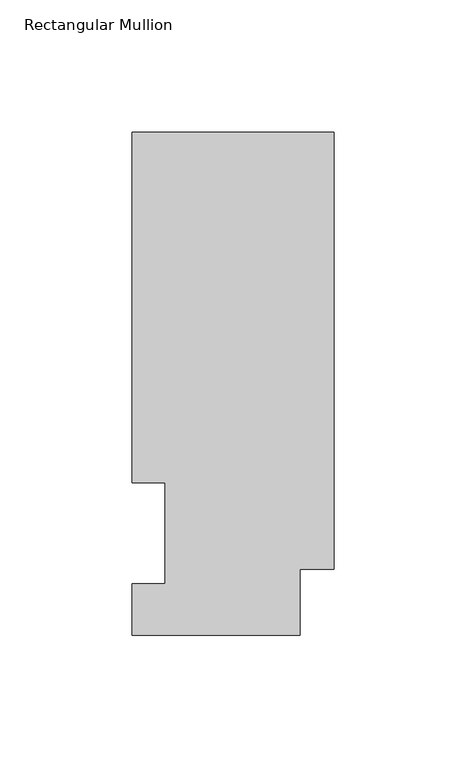
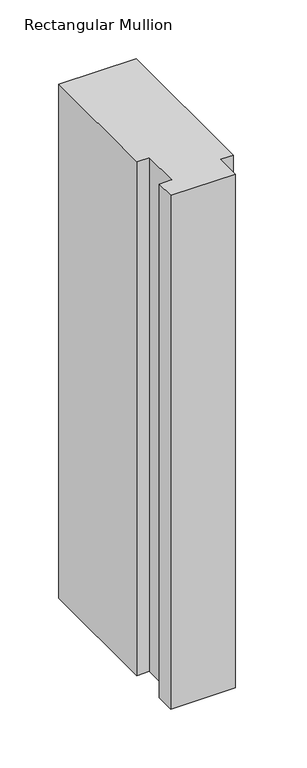
"""IFC4 building model written with IfcOpenShell, lengths in millimetres: member geometry, Rectangular Mullion."""

import ifcopenshell
import ifcopenshell.guid

model = None  # the IFC model being written
_history = None  # IfcOwnerHistory: only IFC2X3 demands one
_inside = {}  # id of a spatial element -> (the spatial element, [elements in it])
_under = {}  # id of a project, library or spatial element -> (it, [spatial elements below it])
_declared = {}  # id of a project -> (the project, [libraries it declares])
_typed = {}  # id of a type object -> (the type object, [elements of that type])
_made_of = {}  # id of a material, layer set ... -> (it, [elements and type objects made of it])


def new_model(schema):
    """Start an empty IFC model of exactly this schema.

    Asked for "IFC4X3", IfcOpenShell would pick the latest addendum, in which some entities
    have other attributes; the version numbers below select the first issue.
    IFC2X3 requires an IfcOwnerHistory on every rooted entity: one is made here for all.
    """
    global model, _history
    if schema == "IFC4X3":
        model = ifcopenshell.file(schema_version=(4, 3, 0, 0))
    else:
        model = ifcopenshell.file(schema=schema)
    _inside.clear()
    _under.clear()
    _declared.clear()
    _typed.clear()
    _made_of.clear()
    _history = None
    if model.schema == "IFC2X3":
        org = make("IfcOrganization", Name="unknown")
        user = make(
            "IfcPersonAndOrganization",
            ThePerson=make("IfcPerson", FamilyName="unknown"),
            TheOrganization=org,
        )
        app = make(
            "IfcApplication",
            ApplicationDeveloper=org,
            Version="unknown",
            ApplicationFullName="unknown",
            ApplicationIdentifier="unknown",
        )
        _history = make(
            "IfcOwnerHistory",
            OwningUser=user,
            OwningApplication=app,
            ChangeAction="ADDED",
            CreationDate=0,
        )
    return model


def make(cls, **values):
    """One entity of the class cls with the attributes given. An attribute that is None is left unset."""
    return model.create_entity(
        cls, **{name: value for name, value in values.items() if value is not None}
    )


def rooted(cls, **values):
    """An entity with a GlobalId (a new one), such as an element, a storey or a relation."""
    return make(cls, GlobalId=ifcopenshell.guid.new(), OwnerHistory=_history, **values)


def si_unit(unit_type, name, prefix=None):
    """IfcSIUnit, for example si_unit("LENGTHUNIT", "METRE", prefix="MILLI")."""
    return make("IfcSIUnit", UnitType=unit_type, Prefix=prefix, Name=name)


def assignment(units):
    """IfcUnitAssignment: the units of a project."""
    return None if units is None else make("IfcUnitAssignment", Units=units)


def point(xyz):
    """IfcCartesianPoint."""
    return None if xyz is None else make("IfcCartesianPoint", Coordinates=xyz)


def direction(xyz):
    """IfcDirection."""
    return None if xyz is None else make("IfcDirection", DirectionRatios=xyz)


def frame(location, z_axis=None, x_axis=None):
    """IfcAxis2Placement3D, a coordinate frame: its origin and axes. An axis left out is left unset."""
    return make(
        "IfcAxis2Placement3D",
        Location=point(location),
        Axis=direction(z_axis),
        RefDirection=direction(x_axis),
    )


def origin():
    """The frame at (0, 0, 0) with its axes left unset."""
    return frame((0.0, 0.0, 0.0))


def place(relative_to, where):
    """IfcLocalPlacement: puts the frame where relative to a parent placement (None: the world)."""
    return make(
        "IfcLocalPlacement", PlacementRelTo=relative_to, RelativePlacement=where
    )


def context(
    kind, dimensions, precision=None, world=None, true_north=None, identifier=None
):
    """IfcGeometricRepresentationContext, for example the 3D "Model" context."""
    return make(
        "IfcGeometricRepresentationContext",
        ContextIdentifier=identifier,
        ContextType=kind,
        CoordinateSpaceDimension=dimensions,
        Precision=precision,
        WorldCoordinateSystem=world,
        TrueNorth=true_north,
    )


def project(units=None, contexts=None):
    """IfcProject with its units and contexts."""
    return rooted(
        "IfcProject",
        Name="project",
        RepresentationContexts=contexts,
        UnitsInContext=assignment(units),
    )


def spatial(cls, under=None, at=None, **own):
    """A site, building, storey or space (cls), placed at a placement, below another one or the project."""
    s = rooted(cls, ObjectPlacement=at, **own)
    if under is not None:
        _under.setdefault(under.id(), (under, []))[1].append(s)
    return s


def polyline(points):
    """IfcPolyline through the points."""
    return make("IfcPolyline", Points=[point(p) for p in points])


def outline(outer, holes=None, kind="AREA"):
    """IfcArbitraryClosedProfileDef: a profile drawn as a closed curve; with holes, ...WithVoids."""
    if holes is None:
        return make("IfcArbitraryClosedProfileDef", ProfileType=kind, OuterCurve=outer)
    return make(
        "IfcArbitraryProfileDefWithVoids",
        ProfileType=kind,
        OuterCurve=outer,
        InnerCurves=holes,
    )


def extrude(swept, where, along, depth):
    """IfcExtrudedAreaSolid: the profile swept, set in the frame where, extruded along a direction by depth."""
    return make(
        "IfcExtrudedAreaSolid",
        SweptArea=swept,
        Position=where,
        ExtrudedDirection=direction(along),
        Depth=depth,
    )


def shape(context_of_items, identifier, shape_type, items):
    """IfcShapeRepresentation: the items that make up one representation, for example the "Body"."""
    return make(
        "IfcShapeRepresentation",
        ContextOfItems=context_of_items,
        RepresentationIdentifier=identifier,
        RepresentationType=shape_type,
        Items=items,
    )


def source(mapping_origin, context_of_items, identifier, shape_type, items):
    """IfcRepresentationMap: a shape defined once, which mapped items show again and again."""
    return make(
        "IfcRepresentationMap",
        MappingOrigin=mapping_origin,
        MappedRepresentation=shape(context_of_items, identifier, shape_type, items),
    )


def transform(
    local_origin,
    x_axis=None,
    y_axis=None,
    z_axis=None,
    scale=None,
    scale2=None,
    scale3=None,
    uniform=True,
):
    """IfcCartesianTransformationOperator3D, or its non-uniform kind. x_axis, y_axis, z_axis: its Axis1, 2, 3."""
    if uniform:
        return make(
            "IfcCartesianTransformationOperator3D",
            Axis1=direction(x_axis),
            Axis2=direction(y_axis),
            LocalOrigin=point(local_origin),
            Scale=scale,
            Axis3=direction(z_axis),
        )
    return make(
        "IfcCartesianTransformationOperator3DnonUniform",
        Axis1=direction(x_axis),
        Axis2=direction(y_axis),
        LocalOrigin=point(local_origin),
        Scale=scale,
        Axis3=direction(z_axis),
        Scale2=scale2,
        Scale3=scale3,
    )


def mapped(mapping_source, mapping_target):
    """IfcMappedItem: shows the shape of a source again, moved by a transform."""
    return make(
        "IfcMappedItem", MappingSource=mapping_source, MappingTarget=mapping_target
    )


def made_of(thing, what):
    """Note that an element or type object is made of a material, layer set ...; save() writes the relation."""
    if what is not None:
        _made_of.setdefault(what.id(), (what, []))[1].append(thing)
    return thing


def element(
    cls,
    number,
    at=None,
    inside=None,
    cuts=None,
    type_object=None,
    material=None,
    context=None,
    identifier="Body",
    shape_type=None,
    held_by="IfcProductDefinitionShape",
    body=None,
    shapes=None,
    **own,
):
    """One element of the class cls, such as IfcWall. Its Tag is "e" and its number.

    at: its placement. inside: the storey or other place that contains it. cuts: it is an
    opening in that element (IfcRelVoidsElement). A single representation is given by context,
    identifier, shape_type and body (its items); several are given by shapes. held_by: the class
    of the entity that holds the representations. save() writes the other relations.
    """
    e = rooted(cls, Tag="e%d" % number, ObjectPlacement=at, **own)
    if body is not None:
        shapes = [shape(context, identifier, shape_type, body)]
    if shapes is not None:
        e.Representation = make(held_by, Representations=shapes)
    if inside is not None:
        _inside.setdefault(inside.id(), (inside, []))[1].append(e)
    if cuts is not None:
        rooted(
            "IfcRelVoidsElement", RelatingBuildingElement=cuts, RelatedOpeningElement=e
        )
    if type_object is not None:
        _typed.setdefault(type_object.id(), (type_object, []))[1].append(e)
    return made_of(e, material)


def aggregate(whole, parts):
    """IfcRelAggregates: a whole, such as a stair, and the parts it consists of."""
    return rooted("IfcRelAggregates", RelatingObject=whole, RelatedObjects=parts)


def save(model, path):
    """Write the relations noted so far, then the file.

    IfcRelAggregates (storeys below a building ...), IfcRelContainedInSpatialStructure (elements
    in a storey), IfcRelDefinesByType, IfcRelAssociatesMaterial and IfcRelDeclares: one each for
    every whole, place, type object, material and project.
    """
    for whole, parts in _under.values():
        aggregate(whole, parts)
    for where, things in _inside.values():
        rooted(
            "IfcRelContainedInSpatialStructure",
            RelatedElements=things,
            RelatingStructure=where,
        )
    for kind, things in _typed.values():
        rooted("IfcRelDefinesByType", RelatedObjects=things, RelatingType=kind)
    for what, things in _made_of.values():
        rooted("IfcRelAssociatesMaterial", RelatedObjects=things, RelatingMaterial=what)
    for by, libraries in _declared.values():
        rooted("IfcRelDeclares", RelatingContext=by, RelatedDefinitions=libraries)
    model.write(path)


def rectangular_mullion_836663b9(model_context):
    return source(origin(), model_context, "Body", "SweptSolid", [
        extrude(outline(polyline([(-76.2, 190.0816937), (0.0, 190.0816937), (0.0, 25.0832937), (-12.7, 25.0832937), (-12.7, 0.0134937), (-76.2, 0.0134937), (-76.2, 19.5460937), (-63.8581605, 19.5460937), (-63.8581605, 57.6460937), (-76.2, 57.6460937), (-76.2, 190.0816937)])), frame((0.0, 0.0, -533.4), z_axis=(0.0, 0.0, 1.0), x_axis=(1.0, 0.0, 0.0)), (0.0, 0.0, 1.0), 533.4),
    ])


if __name__ == "__main__":
    model = new_model("IFC4")
    model_context = context("Model", 3, world=origin())
    ifc_project = project(units=[si_unit("LENGTHUNIT", "METRE", prefix="MILLI")], contexts=[model_context])
    site = spatial("IfcSite", under=ifc_project)
    building = spatial("IfcBuilding", under=site)
    placement = place(None, origin())
    rectangular_mullion_shape = rectangular_mullion_836663b9(model_context)
    element("IfcMember", 1, ObjectType="Rectangular Mullion", at=placement, inside=building, context=model_context, shape_type="MappedRepresentation", body=[
        mapped(rectangular_mullion_shape, transform((0.0, 0.0, 0.0), x_axis=(1.0, 0.0, 0.0), y_axis=(0.0, 1.0, 0.0), z_axis=(0.0, 0.0, 1.0))),
    ])
    save(model, "model.ifc")
